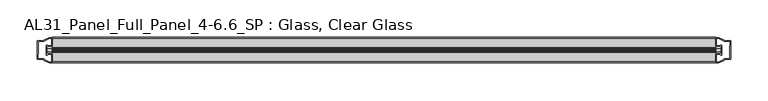
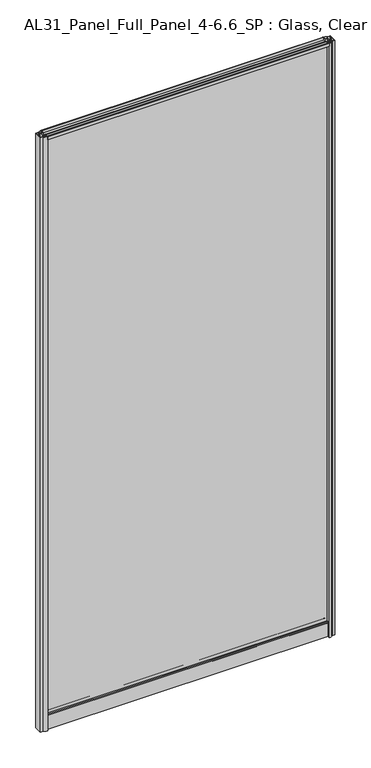
"""IFC4 building model written with IfcOpenShell, lengths in millimetres: plate geometry, AL31_Panel_Full_Panel_4-6.6_SP : Glass, Clear Glass."""

import ifcopenshell
import ifcopenshell.guid

model = None  # the IFC model being written
_history = None  # IfcOwnerHistory: only IFC2X3 demands one
_inside = {}  # id of a spatial element -> (the spatial element, [elements in it])
_under = {}  # id of a project, library or spatial element -> (it, [spatial elements below it])
_declared = {}  # id of a project -> (the project, [libraries it declares])
_typed = {}  # id of a type object -> (the type object, [elements of that type])
_made_of = {}  # id of a material, layer set ... -> (it, [elements and type objects made of it])


def new_model(schema):
    """Start an empty IFC model of exactly this schema.

    Asked for "IFC4X3", IfcOpenShell would pick the latest addendum, in which some entities
    have other attributes; the version numbers below select the first issue.
    IFC2X3 requires an IfcOwnerHistory on every rooted entity: one is made here for all.
    """
    global model, _history
    if schema == "IFC4X3":
        model = ifcopenshell.file(schema_version=(4, 3, 0, 0))
    else:
        model = ifcopenshell.file(schema=schema)
    _inside.clear()
    _under.clear()
    _declared.clear()
    _typed.clear()
    _made_of.clear()
    _history = None
    if model.schema == "IFC2X3":
        org = make("IfcOrganization", Name="unknown")
        user = make(
            "IfcPersonAndOrganization",
            ThePerson=make("IfcPerson", FamilyName="unknown"),
            TheOrganization=org,
        )
        app = make(
            "IfcApplication",
            ApplicationDeveloper=org,
            Version="unknown",
            ApplicationFullName="unknown",
            ApplicationIdentifier="unknown",
        )
        _history = make(
            "IfcOwnerHistory",
            OwningUser=user,
            OwningApplication=app,
            ChangeAction="ADDED",
            CreationDate=0,
        )
    return model


def make(cls, **values):
    """One entity of the class cls with the attributes given. An attribute that is None is left unset."""
    return model.create_entity(
        cls, **{name: value for name, value in values.items() if value is not None}
    )


def rooted(cls, **values):
    """An entity with a GlobalId (a new one), such as an element, a storey or a relation."""
    return make(cls, GlobalId=ifcopenshell.guid.new(), OwnerHistory=_history, **values)


def si_unit(unit_type, name, prefix=None):
    """IfcSIUnit, for example si_unit("LENGTHUNIT", "METRE", prefix="MILLI")."""
    return make("IfcSIUnit", UnitType=unit_type, Prefix=prefix, Name=name)


def assignment(units):
    """IfcUnitAssignment: the units of a project."""
    return None if units is None else make("IfcUnitAssignment", Units=units)


def point(xyz):
    """IfcCartesianPoint."""
    return None if xyz is None else make("IfcCartesianPoint", Coordinates=xyz)


def direction(xyz):
    """IfcDirection."""
    return None if xyz is None else make("IfcDirection", DirectionRatios=xyz)


def frame(location, z_axis=None, x_axis=None):
    """IfcAxis2Placement3D, a coordinate frame: its origin and axes. An axis left out is left unset."""
    return make(
        "IfcAxis2Placement3D",
        Location=point(location),
        Axis=direction(z_axis),
        RefDirection=direction(x_axis),
    )


def frame_2d(location, x_axis=None):
    """IfcAxis2Placement2D, a coordinate frame in the plane: its origin and x axis."""
    return make(
        "IfcAxis2Placement2D", Location=point(location), RefDirection=direction(x_axis)
    )


def origin():
    """The frame at (0, 0, 0) with its axes left unset."""
    return frame((0.0, 0.0, 0.0))


def origin_with_axes():
    """The frame at (0, 0, 0) with the z axis (0, 0, 1) and the x axis (1, 0, 0) written out."""
    return frame((0.0, 0.0, 0.0), z_axis=(0.0, 0.0, 1.0), x_axis=(1.0, 0.0, 0.0))


def place(relative_to, where):
    """IfcLocalPlacement: puts the frame where relative to a parent placement (None: the world)."""
    return make(
        "IfcLocalPlacement", PlacementRelTo=relative_to, RelativePlacement=where
    )


def context(
    kind, dimensions, precision=None, world=None, true_north=None, identifier=None
):
    """IfcGeometricRepresentationContext, for example the 3D "Model" context."""
    return make(
        "IfcGeometricRepresentationContext",
        ContextIdentifier=identifier,
        ContextType=kind,
        CoordinateSpaceDimension=dimensions,
        Precision=precision,
        WorldCoordinateSystem=world,
        TrueNorth=true_north,
    )


def project(units=None, contexts=None):
    """IfcProject with its units and contexts."""
    return rooted(
        "IfcProject",
        Name="project",
        RepresentationContexts=contexts,
        UnitsInContext=assignment(units),
    )


def spatial(cls, under=None, at=None, **own):
    """A site, building, storey or space (cls), placed at a placement, below another one or the project."""
    s = rooted(cls, ObjectPlacement=at, **own)
    if under is not None:
        _under.setdefault(under.id(), (under, []))[1].append(s)
    return s


def polyline(points):
    """IfcPolyline through the points."""
    return make("IfcPolyline", Points=[point(p) for p in points])


def circle_curve(where, radius):
    """IfcCircle in the frame where."""
    return make("IfcCircle", Position=where, Radius=radius)


def trimmed(basis, trim1, trim2, sense, master):
    """IfcTrimmedCurve: the piece of a basis curve between two trims."""
    return make(
        "IfcTrimmedCurve",
        BasisCurve=basis,
        Trim1=trim1,
        Trim2=trim2,
        SenseAgreement=sense,
        MasterRepresentation=master,
    )


def segment(curve, same_sense, transition):
    """IfcCompositeCurveSegment."""
    return make(
        "IfcCompositeCurveSegment",
        Transition=transition,
        SameSense=same_sense,
        ParentCurve=curve,
    )


def composite_curve(segments, self_intersect=None):
    """IfcCompositeCurve: segments joined end to end."""
    return make("IfcCompositeCurve", Segments=segments, SelfIntersect=self_intersect)


def outline(outer, holes=None, kind="AREA"):
    """IfcArbitraryClosedProfileDef: a profile drawn as a closed curve; with holes, ...WithVoids."""
    if holes is None:
        return make("IfcArbitraryClosedProfileDef", ProfileType=kind, OuterCurve=outer)
    return make(
        "IfcArbitraryProfileDefWithVoids",
        ProfileType=kind,
        OuterCurve=outer,
        InnerCurves=holes,
    )


def extrude(swept, where, along, depth):
    """IfcExtrudedAreaSolid: the profile swept, set in the frame where, extruded along a direction by depth."""
    return make(
        "IfcExtrudedAreaSolid",
        SweptArea=swept,
        Position=where,
        ExtrudedDirection=direction(along),
        Depth=depth,
    )


def shape(context_of_items, identifier, shape_type, items):
    """IfcShapeRepresentation: the items that make up one representation, for example the "Body"."""
    return make(
        "IfcShapeRepresentation",
        ContextOfItems=context_of_items,
        RepresentationIdentifier=identifier,
        RepresentationType=shape_type,
        Items=items,
    )


def source(mapping_origin, context_of_items, identifier, shape_type, items):
    """IfcRepresentationMap: a shape defined once, which mapped items show again and again."""
    return make(
        "IfcRepresentationMap",
        MappingOrigin=mapping_origin,
        MappedRepresentation=shape(context_of_items, identifier, shape_type, items),
    )


def transform(
    local_origin,
    x_axis=None,
    y_axis=None,
    z_axis=None,
    scale=None,
    scale2=None,
    scale3=None,
    uniform=True,
):
    """IfcCartesianTransformationOperator3D, or its non-uniform kind. x_axis, y_axis, z_axis: its Axis1, 2, 3."""
    if uniform:
        return make(
            "IfcCartesianTransformationOperator3D",
            Axis1=direction(x_axis),
            Axis2=direction(y_axis),
            LocalOrigin=point(local_origin),
            Scale=scale,
            Axis3=direction(z_axis),
        )
    return make(
        "IfcCartesianTransformationOperator3DnonUniform",
        Axis1=direction(x_axis),
        Axis2=direction(y_axis),
        LocalOrigin=point(local_origin),
        Scale=scale,
        Axis3=direction(z_axis),
        Scale2=scale2,
        Scale3=scale3,
    )


def mapped(mapping_source, mapping_target):
    """IfcMappedItem: shows the shape of a source again, moved by a transform."""
    return make(
        "IfcMappedItem", MappingSource=mapping_source, MappingTarget=mapping_target
    )


def made_of(thing, what):
    """Note that an element or type object is made of a material, layer set ...; save() writes the relation."""
    if what is not None:
        _made_of.setdefault(what.id(), (what, []))[1].append(thing)
    return thing


def element(
    cls,
    number,
    at=None,
    inside=None,
    cuts=None,
    type_object=None,
    material=None,
    context=None,
    identifier="Body",
    shape_type=None,
    held_by="IfcProductDefinitionShape",
    body=None,
    shapes=None,
    **own,
):
    """One element of the class cls, such as IfcWall. Its Tag is "e" and its number.

    at: its placement. inside: the storey or other place that contains it. cuts: it is an
    opening in that element (IfcRelVoidsElement). A single representation is given by context,
    identifier, shape_type and body (its items); several are given by shapes. held_by: the class
    of the entity that holds the representations. save() writes the other relations.
    """
    e = rooted(cls, Tag="e%d" % number, ObjectPlacement=at, **own)
    if body is not None:
        shapes = [shape(context, identifier, shape_type, body)]
    if shapes is not None:
        e.Representation = make(held_by, Representations=shapes)
    if inside is not None:
        _inside.setdefault(inside.id(), (inside, []))[1].append(e)
    if cuts is not None:
        rooted(
            "IfcRelVoidsElement", RelatingBuildingElement=cuts, RelatedOpeningElement=e
        )
    if type_object is not None:
        _typed.setdefault(type_object.id(), (type_object, []))[1].append(e)
    return made_of(e, material)


def aggregate(whole, parts):
    """IfcRelAggregates: a whole, such as a stair, and the parts it consists of."""
    return rooted("IfcRelAggregates", RelatingObject=whole, RelatedObjects=parts)


def save(model, path):
    """Write the relations noted so far, then the file.

    IfcRelAggregates (storeys below a building ...), IfcRelContainedInSpatialStructure (elements
    in a storey), IfcRelDefinesByType, IfcRelAssociatesMaterial and IfcRelDeclares: one each for
    every whole, place, type object, material and project.
    """
    for whole, parts in _under.values():
        aggregate(whole, parts)
    for where, things in _inside.values():
        rooted(
            "IfcRelContainedInSpatialStructure",
            RelatedElements=things,
            RelatingStructure=where,
        )
    for kind, things in _typed.values():
        rooted("IfcRelDefinesByType", RelatedObjects=things, RelatingType=kind)
    for what, things in _made_of.values():
        rooted("IfcRelAssociatesMaterial", RelatedObjects=things, RelatingMaterial=what)
    for by, libraries in _declared.values():
        rooted("IfcRelDeclares", RelatingContext=by, RelatedDefinitions=libraries)
    model.write(path)


def al31_panel_full_panel_4_6_6_sp_glass_clear_glass_70b6ecdc(model_context):
    return source(origin(), model_context, "Body", "SweptSolid", [
        extrude(outline(composite_curve([segment(polyline([(-1.4, 1968.8980762), (-0.85, 1967.9454483)]), True, "CONTINUOUS"), segment(trimmed(circle_curve(frame_2d((0.1, 1966.3)), 1.9), [point((-0.85, 1967.9454483))], [point((1.05, 1967.9454483))], True, "CARTESIAN"), True, "CONTINUOUS"), segment(polyline([(1.05, 1967.9454483), (1.6, 1968.8980762)]), True, "CONTINUOUS"), segment(trimmed(circle_curve(frame_2d((0.1, 1966.3)), 3.0), [point((1.6, 1968.8980762))], [point((2.5718414, 1964.6))], False, "CARTESIAN"), True, "CONTINUOUS"), segment(polyline([(2.5718414, 1964.6), (15.7, 1964.6), (15.7, 1974.0), (17.0, 1974.0), (17.0, 1963.5), (6.7024688, 1963.5), (6.7024688, 1962.7), (6.1968782, 1960.7785039), (6.1968782, 1956.1), (5.0, 1956.1), (5.0, 1961.4339746), (5.5, 1962.3), (5.5, 1963.5), (-5.5, 1963.5), (-5.5, 1962.3), (-5.0, 1961.4339746), (-5.0, 1956.1), (-6.1968782, 1956.1), (-6.1968782, 1960.7785039), (-6.7024688, 1962.7), (-6.7024688, 1963.5), (-17.0, 1963.5), (-17.0, 1974.0), (-15.7, 1974.0), (-15.7, 1964.6), (-2.3718414, 1964.6)]), True, "CONTINUOUS"), segment(trimmed(circle_curve(frame_2d((0.1, 1966.3)), 3.0), [point((-2.3718414, 1964.6))], [point((-1.4, 1968.8980762))], False, "CARTESIAN"), True, "CONTINUOUS")], self_intersect=False)), frame((-442.6854458, 0.0, 0.0), z_axis=(1.0, 0.0, 0.0), x_axis=(0.0, 1.0, 0.0)), (0.0, 0.0, 1.0), 885.3708917),
        extrude(outline(composite_curve([segment(polyline([(-450.5268672, -5.9), (-449.3268672, -5.9), (-449.3268672, -5.0), (-442.6854458, -5.0), (-442.6854458, -17.0001453)]), True, "CONTINUOUS"), segment(trimmed(circle_curve(frame_2d((-442.3207942, 2.9965302)), 20.0), [point((-442.6854458, -17.0001453))], [point((-454.0412811, -13.2093388))], False, "CARTESIAN"), True, "CONTINUOUS"), segment(polyline([(-454.0412811, -13.2093388), (-454.0412811, -12.3279343), (-462.6854458, -12.3279343), (-462.6854458, 12.3720657), (-454.0412811, 12.3720657), (-454.0412811, 13.2095249)]), True, "CONTINUOUS"), segment(trimmed(circle_curve(frame_2d((-442.3207942, -2.9963441)), 20.0), [point((-454.0412811, 13.2095249))], [point((-442.6854458, 17.0003314))], False, "CARTESIAN"), True, "CONTINUOUS"), segment(polyline([(-442.6854458, 17.0003314), (-442.6854458, 5.0), (-449.3268672, 5.0), (-449.3268672, 5.9), (-450.5268672, 5.9), (-450.5268672, -5.9)]), True, "CONTINUOUS")], self_intersect=False), holes=[composite_curve([segment(trimmed(circle_curve(frame_2d((-449.5268672, 5.7)), 1.5), [point((-449.5268672, 7.2))], [point((-448.1716129, 6.3428731))], False, "CARTESIAN"), True, "CONTINUOUS"), segment(polyline([(-448.1716129, 6.3428731), (-444.4268672, 6.3428731), (-444.4268672, 10.939223), (-443.9875274, 11.9998832), (-443.9875274, 15.6499817)]), True, "CONTINUOUS"), segment(trimmed(circle_curve(frame_2d((-442.3207942, -2.9755921)), 18.7), [point((-443.9875274, 15.6499817))], [point((-452.327572, 12.8216987))], True, "CARTESIAN"), True, "CONTINUOUS"), segment(trimmed(circle_curve(frame_2d((-454.1268672, 12.8720657)), 1.8), [point((-452.327572, 12.8216987))], [point((-454.1268672, 11.0720657))], False, "CARTESIAN"), True, "CONTINUOUS"), segment(polyline([(-454.1268672, 11.0720657), (-461.2682885, 11.0720657), (-461.2682885, 6.5019606), (-460.8268672, 5.439223), (-460.8268672, -5.3950916), (-461.3268672, -6.3879987), (-461.3268672, -11.0279343), (-454.1268672, -11.0279343)]), True, "CONTINUOUS"), segment(trimmed(circle_curve(frame_2d((-454.1268672, -12.8279343)), 1.8), [point((-454.1268672, -11.0279343))], [point((-452.327572, -12.7775673))], False, "CARTESIAN"), True, "CONTINUOUS"), segment(trimmed(circle_curve(frame_2d((-442.3207942, 3.0197235)), 18.7), [point((-452.327572, -12.7775673))], [point((-443.9875274, -15.6058503))], True, "CARTESIAN"), True, "CONTINUOUS"), segment(polyline([(-443.9875274, -15.6058503), (-443.9875274, -11.9557518), (-444.4268672, -10.8950916), (-444.4268672, -6.2991308), (-448.1517155, -6.2991308)]), True, "CONTINUOUS"), segment(trimmed(circle_curve(frame_2d((-449.5268672, -5.7)), 1.5), [point((-448.1517155, -6.2991308))], [point((-449.5268672, -7.2))], False, "CARTESIAN"), True, "CONTINUOUS"), segment(polyline([(-449.5268672, -7.2), (-451.8268672, -7.2), (-451.8268672, 7.2), (-449.5268672, 7.2)]), True, "CONTINUOUS")], self_intersect=False)]), origin_with_axes(), (0.0, 0.0, 1.0), 1974.0),
        extrude(outline(composite_curve([segment(polyline([(450.5268672, 5.9), (449.3268672, 5.9), (449.3268672, 5.0), (442.6854458, 5.0), (442.6854458, 17.0001453)]), True, "CONTINUOUS"), segment(trimmed(circle_curve(frame_2d((442.3207942, -2.9965302)), 20.0), [point((442.6854458, 17.0001453))], [point((454.0412811, 13.2093388))], False, "CARTESIAN"), True, "CONTINUOUS"), segment(polyline([(454.0412811, 13.2093388), (454.0412811, 12.3279343), (462.6854458, 12.3279343), (462.6854458, -12.3720657), (454.0412811, -12.3720657), (454.0412811, -13.2095249)]), True, "CONTINUOUS"), segment(trimmed(circle_curve(frame_2d((442.3207942, 2.9963441)), 20.0), [point((454.0412811, -13.2095249))], [point((442.6854458, -17.0003314))], False, "CARTESIAN"), True, "CONTINUOUS"), segment(polyline([(442.6854458, -17.0003314), (442.6854458, -5.0), (449.3268672, -5.0), (449.3268672, -5.9), (450.5268672, -5.9), (450.5268672, 5.9)]), True, "CONTINUOUS")], self_intersect=False), holes=[composite_curve([segment(trimmed(circle_curve(frame_2d((449.5268672, -5.7)), 1.5), [point((449.5268672, -7.2))], [point((448.1716129, -6.3428731))], False, "CARTESIAN"), True, "CONTINUOUS"), segment(polyline([(448.1716129, -6.3428731), (444.4268672, -6.3428731), (444.4268672, -10.939223), (443.9875274, -11.9998832), (443.9875274, -15.6499817)]), True, "CONTINUOUS"), segment(trimmed(circle_curve(frame_2d((442.3207942, 2.9755921)), 18.7), [point((443.9875274, -15.6499817))], [point((452.327572, -12.8216987))], True, "CARTESIAN"), True, "CONTINUOUS"), segment(trimmed(circle_curve(frame_2d((454.1268672, -12.8720657)), 1.8), [point((452.327572, -12.8216987))], [point((454.1268672, -11.0720657))], False, "CARTESIAN"), True, "CONTINUOUS"), segment(polyline([(454.1268672, -11.0720657), (461.2682885, -11.0720657), (461.2682885, -6.5019606), (460.8268672, -5.439223), (460.8268672, 5.3950916), (461.3268672, 6.3879987), (461.3268672, 11.0279343), (454.1268672, 11.0279343)]), True, "CONTINUOUS"), segment(trimmed(circle_curve(frame_2d((454.1268672, 12.8279343)), 1.8), [point((454.1268672, 11.0279343))], [point((452.327572, 12.7775673))], False, "CARTESIAN"), True, "CONTINUOUS"), segment(trimmed(circle_curve(frame_2d((442.3207942, -3.0197235)), 18.7), [point((452.327572, 12.7775673))], [point((443.9875274, 15.6058503))], True, "CARTESIAN"), True, "CONTINUOUS"), segment(polyline([(443.9875274, 15.6058503), (443.9875274, 11.9557518), (444.4268672, 10.8950916), (444.4268672, 6.2991308), (448.1517155, 6.2991308)]), True, "CONTINUOUS"), segment(trimmed(circle_curve(frame_2d((449.5268672, 5.7)), 1.5), [point((448.1517155, 6.2991308))], [point((449.5268672, 7.2))], False, "CARTESIAN"), True, "CONTINUOUS"), segment(polyline([(449.5268672, 7.2), (451.8268672, 7.2), (451.8268672, -7.2), (449.5268672, -7.2)]), True, "CONTINUOUS")], self_intersect=False)]), origin_with_axes(), (0.0, 0.0, 1.0), 1974.0),
        extrude(outline(composite_curve([segment(trimmed(circle_curve(frame_2d((-8.4, 34.8)), 1.0), [point((-8.4, 35.8))], [point((-9.4, 34.8))], True, "CARTESIAN"), True, "CONTINUOUS"), segment(polyline([(-9.4, 34.8), (-9.4, 33.5), (-5.0000303, 33.5), (-5.0000303, 32.3), (-9.4, 32.3), (-9.4, 0.0), (-10.6, 0.0), (-10.6, 47.3)]), True, "CONTINUOUS"), segment(trimmed(circle_curve(frame_2d((-8.6, 47.3)), 2.0), [point((-10.6, 47.3))], [point((-8.6, 49.3))], False, "CARTESIAN"), True, "CONTINUOUS"), segment(polyline([(-8.6, 49.3), (-5.0, 49.3), (-5.0, 41.9), (5.0, 41.9), (5.0, 49.3), (8.6, 49.3)]), True, "CONTINUOUS"), segment(trimmed(circle_curve(frame_2d((8.6, 47.3)), 2.0), [point((8.6, 49.3))], [point((10.6, 47.3))], False, "CARTESIAN"), True, "CONTINUOUS"), segment(polyline([(10.6, 47.3), (10.6, 0.0), (9.4, 0.0), (9.4, 32.3), (4.9999697, 32.3), (4.9999697, 33.5), (9.4, 33.5), (9.4, 34.8)]), True, "CONTINUOUS"), segment(trimmed(circle_curve(frame_2d((8.4, 34.8)), 1.0), [point((9.4, 34.8))], [point((8.4, 35.8))], True, "CARTESIAN"), True, "CONTINUOUS"), segment(polyline([(8.4, 35.8), (-8.4, 35.8)]), True, "CONTINUOUS")], self_intersect=False), holes=[composite_curve([segment(trimmed(circle_curve(frame_2d((5.5024688, 41.8)), 1.0), [point((6.5024688, 41.8))], [point((5.5024688, 40.8))], False, "CARTESIAN"), True, "CONTINUOUS"), segment(polyline([(5.5024688, 40.8), (2.8008965, 40.8), (2.8008965, 39.7274194), (1.8370508, 39.7274194)]), True, "CONTINUOUS"), segment(trimmed(circle_curve(frame_2d((0.0, 38.7)), 2.1048387), [point((1.8370508, 39.7274194))], [point((-1.8370508, 39.7274194))], True, "CARTESIAN"), True, "CONTINUOUS"), segment(polyline([(-1.8370508, 39.7274194), (-2.8008965, 39.7274194), (-2.8008965, 40.8), (-5.5024688, 40.8)]), True, "CONTINUOUS"), segment(trimmed(circle_curve(frame_2d((-5.5024688, 41.8)), 1.0), [point((-5.5024688, 40.8))], [point((-6.5024688, 41.8))], False, "CARTESIAN"), True, "CONTINUOUS"), segment(polyline([(-6.5024688, 41.8), (-6.5024688, 42.7)]), True, "CONTINUOUS"), segment(trimmed(circle_curve(frame_2d((-5.3024688, 42.7)), 1.2), [point((-6.5024688, 42.7))], [point((-6.1198184, 43.5786009))], False, "CARTESIAN"), True, "CONTINUOUS"), segment(polyline([(-6.1198184, 43.5786009), (-6.1198184, 48.2), (-8.4, 48.2)]), True, "CONTINUOUS"), segment(trimmed(circle_curve(frame_2d((-8.4, 47.2)), 1.0), [point((-8.4, 48.2))], [point((-9.4, 47.2))], True, "CARTESIAN"), True, "CONTINUOUS"), segment(polyline([(-9.4, 47.2), (-9.4, 37.04), (-2.8008965, 37.04), (-2.8008965, 38.0725806), (-1.8370508, 38.0725806)]), True, "CONTINUOUS"), segment(trimmed(circle_curve(frame_2d((0.0, 39.1)), 2.1048387), [point((-1.8370508, 38.0725806))], [point((1.8370508, 38.0725806))], True, "CARTESIAN"), True, "CONTINUOUS"), segment(polyline([(1.8370508, 38.0725806), (2.8008965, 38.0725806), (2.8008965, 37.04), (9.4, 37.04), (9.4, 47.2)]), True, "CONTINUOUS"), segment(trimmed(circle_curve(frame_2d((8.4, 47.2)), 1.0), [point((9.4, 47.2))], [point((8.4, 48.2))], True, "CARTESIAN"), True, "CONTINUOUS"), segment(polyline([(8.4, 48.2), (6.1198184, 48.2), (6.1198184, 43.7786009)]), True, "CONTINUOUS"), segment(trimmed(circle_curve(frame_2d((5.3024688, 42.9)), 1.2), [point((6.1198184, 43.7786009))], [point((6.5024688, 42.9))], False, "CARTESIAN"), True, "CONTINUOUS"), segment(polyline([(6.5024688, 42.9), (6.5024688, 41.8)]), True, "CONTINUOUS")], self_intersect=False)]), frame((-442.6854458, 0.0, 0.0), z_axis=(1.0, 0.0, 0.0), x_axis=(0.0, 1.0, 0.0)), (0.0, 0.0, 1.0), 885.3708917),
        extrude(outline(polyline([(450.5268672, 2.0), (450.5268672, -2.0), (-450.5268672, -2.0), (-450.5268672, 2.0), (450.5268672, 2.0)])), frame((0.0, 0.0, 41.9), z_axis=(0.0, 0.0, 1.0), x_axis=(1.0, 0.0, 0.0)), (0.0, 0.0, 1.0), 1921.6),
    ])


if __name__ == "__main__":
    model = new_model("IFC4")
    model_context = context("Model", 3, world=origin())
    ifc_project = project(units=[si_unit("LENGTHUNIT", "METRE", prefix="MILLI")], contexts=[model_context])
    site = spatial("IfcSite", under=ifc_project)
    building = spatial("IfcBuilding", under=site)
    placement = place(None, origin())
    al31_panel_full_panel_4_6_6_sp_glass_clear_glass_shape = al31_panel_full_panel_4_6_6_sp_glass_clear_glass_70b6ecdc(model_context)
    element("IfcPlate", 1, ObjectType="AL31_Panel_Full_Panel_4-6.6_SP : Glass, Clear Glass", at=placement, inside=building, context=model_context, shape_type="MappedRepresentation", body=[
        mapped(al31_panel_full_panel_4_6_6_sp_glass_clear_glass_shape, transform((0.0, 0.0, 0.0), x_axis=(1.0, 0.0, 0.0), y_axis=(0.0, 1.0, 0.0), z_axis=(0.0, 0.0, 1.0))),
    ])
    save(model, "model.ifc")
